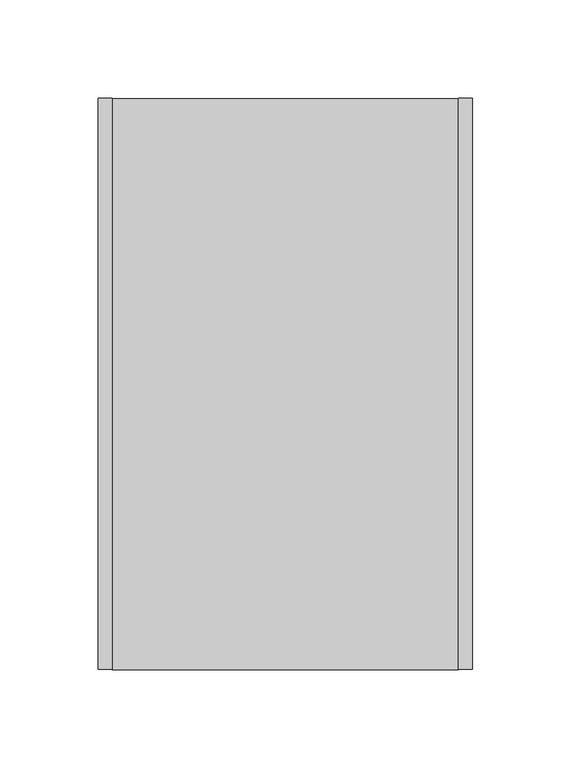
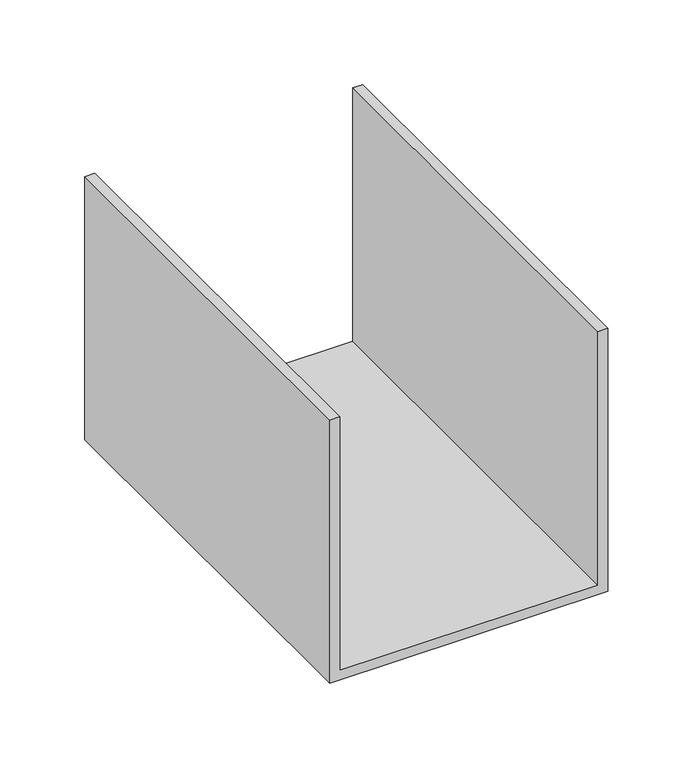
"""IFC4 building model written with IfcOpenShell, lengths in millimetres: proxy geometry."""

import ifcopenshell
import ifcopenshell.guid

model = None  # the IFC model being written
_history = None  # IfcOwnerHistory: only IFC2X3 demands one
_inside = {}  # id of a spatial element -> (the spatial element, [elements in it])
_under = {}  # id of a project, library or spatial element -> (it, [spatial elements below it])
_declared = {}  # id of a project -> (the project, [libraries it declares])
_typed = {}  # id of a type object -> (the type object, [elements of that type])
_made_of = {}  # id of a material, layer set ... -> (it, [elements and type objects made of it])


def new_model(schema):
    """Start an empty IFC model of exactly this schema.

    Asked for "IFC4X3", IfcOpenShell would pick the latest addendum, in which some entities
    have other attributes; the version numbers below select the first issue.
    IFC2X3 requires an IfcOwnerHistory on every rooted entity: one is made here for all.
    """
    global model, _history
    if schema == "IFC4X3":
        model = ifcopenshell.file(schema_version=(4, 3, 0, 0))
    else:
        model = ifcopenshell.file(schema=schema)
    _inside.clear()
    _under.clear()
    _declared.clear()
    _typed.clear()
    _made_of.clear()
    _history = None
    if model.schema == "IFC2X3":
        org = make("IfcOrganization", Name="unknown")
        user = make(
            "IfcPersonAndOrganization",
            ThePerson=make("IfcPerson", FamilyName="unknown"),
            TheOrganization=org,
        )
        app = make(
            "IfcApplication",
            ApplicationDeveloper=org,
            Version="unknown",
            ApplicationFullName="unknown",
            ApplicationIdentifier="unknown",
        )
        _history = make(
            "IfcOwnerHistory",
            OwningUser=user,
            OwningApplication=app,
            ChangeAction="ADDED",
            CreationDate=0,
        )
    return model


def make(cls, **values):
    """One entity of the class cls with the attributes given. An attribute that is None is left unset."""
    return model.create_entity(
        cls, **{name: value for name, value in values.items() if value is not None}
    )


def rooted(cls, **values):
    """An entity with a GlobalId (a new one), such as an element, a storey or a relation."""
    return make(cls, GlobalId=ifcopenshell.guid.new(), OwnerHistory=_history, **values)


def si_unit(unit_type, name, prefix=None):
    """IfcSIUnit, for example si_unit("LENGTHUNIT", "METRE", prefix="MILLI")."""
    return make("IfcSIUnit", UnitType=unit_type, Prefix=prefix, Name=name)


def assignment(units):
    """IfcUnitAssignment: the units of a project."""
    return None if units is None else make("IfcUnitAssignment", Units=units)


def point(xyz):
    """IfcCartesianPoint."""
    return None if xyz is None else make("IfcCartesianPoint", Coordinates=xyz)


def direction(xyz):
    """IfcDirection."""
    return None if xyz is None else make("IfcDirection", DirectionRatios=xyz)


def frame(location, z_axis=None, x_axis=None):
    """IfcAxis2Placement3D, a coordinate frame: its origin and axes. An axis left out is left unset."""
    return make(
        "IfcAxis2Placement3D",
        Location=point(location),
        Axis=direction(z_axis),
        RefDirection=direction(x_axis),
    )


def origin():
    """The frame at (0, 0, 0) with its axes left unset."""
    return frame((0.0, 0.0, 0.0))


def place(relative_to, where):
    """IfcLocalPlacement: puts the frame where relative to a parent placement (None: the world)."""
    return make(
        "IfcLocalPlacement", PlacementRelTo=relative_to, RelativePlacement=where
    )


def context(
    kind, dimensions, precision=None, world=None, true_north=None, identifier=None
):
    """IfcGeometricRepresentationContext, for example the 3D "Model" context."""
    return make(
        "IfcGeometricRepresentationContext",
        ContextIdentifier=identifier,
        ContextType=kind,
        CoordinateSpaceDimension=dimensions,
        Precision=precision,
        WorldCoordinateSystem=world,
        TrueNorth=true_north,
    )


def project(units=None, contexts=None):
    """IfcProject with its units and contexts."""
    return rooted(
        "IfcProject",
        Name="project",
        RepresentationContexts=contexts,
        UnitsInContext=assignment(units),
    )


def spatial(cls, under=None, at=None, **own):
    """A site, building, storey or space (cls), placed at a placement, below another one or the project."""
    s = rooted(cls, ObjectPlacement=at, **own)
    if under is not None:
        _under.setdefault(under.id(), (under, []))[1].append(s)
    return s


def polyline(points):
    """IfcPolyline through the points."""
    return make("IfcPolyline", Points=[point(p) for p in points])


def outline(outer, holes=None, kind="AREA"):
    """IfcArbitraryClosedProfileDef: a profile drawn as a closed curve; with holes, ...WithVoids."""
    if holes is None:
        return make("IfcArbitraryClosedProfileDef", ProfileType=kind, OuterCurve=outer)
    return make(
        "IfcArbitraryProfileDefWithVoids",
        ProfileType=kind,
        OuterCurve=outer,
        InnerCurves=holes,
    )


def extrude(swept, where, along, depth):
    """IfcExtrudedAreaSolid: the profile swept, set in the frame where, extruded along a direction by depth."""
    return make(
        "IfcExtrudedAreaSolid",
        SweptArea=swept,
        Position=where,
        ExtrudedDirection=direction(along),
        Depth=depth,
    )


def shape(context_of_items, identifier, shape_type, items):
    """IfcShapeRepresentation: the items that make up one representation, for example the "Body"."""
    return make(
        "IfcShapeRepresentation",
        ContextOfItems=context_of_items,
        RepresentationIdentifier=identifier,
        RepresentationType=shape_type,
        Items=items,
    )


def source(mapping_origin, context_of_items, identifier, shape_type, items):
    """IfcRepresentationMap: a shape defined once, which mapped items show again and again."""
    return make(
        "IfcRepresentationMap",
        MappingOrigin=mapping_origin,
        MappedRepresentation=shape(context_of_items, identifier, shape_type, items),
    )


def transform(
    local_origin,
    x_axis=None,
    y_axis=None,
    z_axis=None,
    scale=None,
    scale2=None,
    scale3=None,
    uniform=True,
):
    """IfcCartesianTransformationOperator3D, or its non-uniform kind. x_axis, y_axis, z_axis: its Axis1, 2, 3."""
    if uniform:
        return make(
            "IfcCartesianTransformationOperator3D",
            Axis1=direction(x_axis),
            Axis2=direction(y_axis),
            LocalOrigin=point(local_origin),
            Scale=scale,
            Axis3=direction(z_axis),
        )
    return make(
        "IfcCartesianTransformationOperator3DnonUniform",
        Axis1=direction(x_axis),
        Axis2=direction(y_axis),
        LocalOrigin=point(local_origin),
        Scale=scale,
        Axis3=direction(z_axis),
        Scale2=scale2,
        Scale3=scale3,
    )


def mapped(mapping_source, mapping_target):
    """IfcMappedItem: shows the shape of a source again, moved by a transform."""
    return make(
        "IfcMappedItem", MappingSource=mapping_source, MappingTarget=mapping_target
    )


def made_of(thing, what):
    """Note that an element or type object is made of a material, layer set ...; save() writes the relation."""
    if what is not None:
        _made_of.setdefault(what.id(), (what, []))[1].append(thing)
    return thing


def element(
    cls,
    number,
    at=None,
    inside=None,
    cuts=None,
    type_object=None,
    material=None,
    context=None,
    identifier="Body",
    shape_type=None,
    held_by="IfcProductDefinitionShape",
    body=None,
    shapes=None,
    **own,
):
    """One element of the class cls, such as IfcWall. Its Tag is "e" and its number.

    at: its placement. inside: the storey or other place that contains it. cuts: it is an
    opening in that element (IfcRelVoidsElement). A single representation is given by context,
    identifier, shape_type and body (its items); several are given by shapes. held_by: the class
    of the entity that holds the representations. save() writes the other relations.
    """
    e = rooted(cls, Tag="e%d" % number, ObjectPlacement=at, **own)
    if body is not None:
        shapes = [shape(context, identifier, shape_type, body)]
    if shapes is not None:
        e.Representation = make(held_by, Representations=shapes)
    if inside is not None:
        _inside.setdefault(inside.id(), (inside, []))[1].append(e)
    if cuts is not None:
        rooted(
            "IfcRelVoidsElement", RelatingBuildingElement=cuts, RelatedOpeningElement=e
        )
    if type_object is not None:
        _typed.setdefault(type_object.id(), (type_object, []))[1].append(e)
    return made_of(e, material)


def aggregate(whole, parts):
    """IfcRelAggregates: a whole, such as a stair, and the parts it consists of."""
    return rooted("IfcRelAggregates", RelatingObject=whole, RelatedObjects=parts)


def save(model, path):
    """Write the relations noted so far, then the file.

    IfcRelAggregates (storeys below a building ...), IfcRelContainedInSpatialStructure (elements
    in a storey), IfcRelDefinesByType, IfcRelAssociatesMaterial and IfcRelDeclares: one each for
    every whole, place, type object, material and project.
    """
    for whole, parts in _under.values():
        aggregate(whole, parts)
    for where, things in _inside.values():
        rooted(
            "IfcRelContainedInSpatialStructure",
            RelatedElements=things,
            RelatingStructure=where,
        )
    for kind, things in _typed.values():
        rooted("IfcRelDefinesByType", RelatedObjects=things, RelatingType=kind)
    for what, things in _made_of.values():
        rooted("IfcRelAssociatesMaterial", RelatedObjects=things, RelatingMaterial=what)
    for by, libraries in _declared.values():
        rooted("IfcRelDeclares", RelatingContext=by, RelatedDefinitions=libraries)
    model.write(path)


def generic_models_40bbb0f1(model_context):
    return source(origin(), model_context, "Body", "SweptSolid", [
        extrude(outline(polyline([(0.0, 190.0), (190.0, 190.0), (190.0, 183.0), (7.0, 183.0), (7.0, 7.0), (190.0, 7.0), (190.0, 0.0), (0.0, 0.0), (0.0, 190.0)])), frame((0.0, 0.0, 0.0), z_axis=(0.0, 1.0, 0.0), x_axis=(0.0, 0.0, 1.0)), (0.0, 0.0, 1.0), 290.0),
    ])


if __name__ == "__main__":
    model = new_model("IFC4")
    model_context = context("Model", 3, world=origin())
    ifc_project = project(units=[si_unit("LENGTHUNIT", "METRE", prefix="MILLI")], contexts=[model_context])
    site = spatial("IfcSite", under=ifc_project)
    building = spatial("IfcBuilding", under=site)
    placement = place(None, origin())
    generic_models_shape = generic_models_40bbb0f1(model_context)
    element("IfcBuildingElementProxy", 1, Name="Generic Models", at=placement, inside=building, context=model_context, shape_type="MappedRepresentation", body=[
        mapped(generic_models_shape, transform((0.0, 0.0, 0.0), x_axis=(1.0, 0.0, 0.0), y_axis=(0.0, 1.0, 0.0), z_axis=(0.0, 0.0, 1.0))),
    ])
    save(model, "model.ifc")
